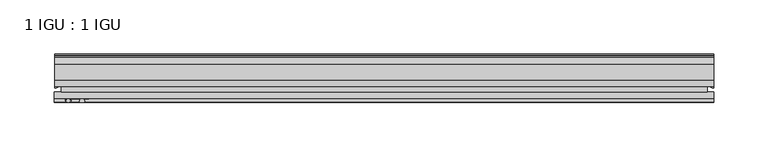
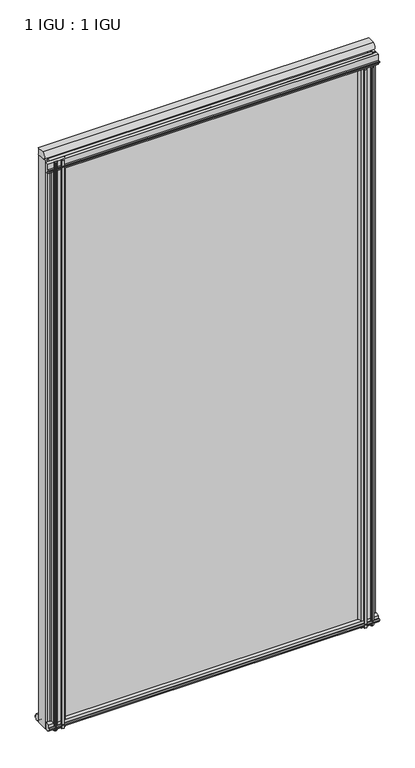
"""IFC4 building model written with IfcOpenShell, lengths in millimetres: plate geometry, 1 IGU : 1 IGU."""

from ifc_helpers import new_model, si_unit, point, frame, frame_2d, origin, place, context, project, spatial, polyline, circle_curve, ellipse_curve, trimmed, segment, composite_curve, outline, extrude, source, transform, mapped, element, save
from ifc_brep_helpers import plane_surface, cylinder_surface, revolved_surface, extruded_surface, advanced_brep


def plate_1_igu_1_igu_985c1507(model_context):
    return source(origin(), model_context, "Body", "SolidModel", [
        extrude(outline(polyline([(-298.4500002, -38.6468937), (298.4500002, -38.6468937), (298.4500002, -44.9460938), (-298.4500002, -44.9460938), (-298.4500002, -38.6468937)])), frame((0.0, 0.0, -12.7), z_axis=(0.0, 0.0, 1.0), x_axis=(1.0, 0.0, 0.0)), (0.0, 0.0, 1.0), 1106.5637371),
        extrude(outline(polyline([(-298.4500002, -19.5460937), (298.4500002, -19.5460937), (298.4500002, -25.8960938), (-298.4500002, -25.8960938), (-298.4500002, -19.5460937)])), frame((0.0, 0.0, -12.7), z_axis=(0.0, 0.0, 1.0), x_axis=(1.0, 0.0, 0.0)), (0.0, 0.0, 1.0), 1106.5637371),
        extrude(outline(composite_curve([segment(trimmed(circle_curve(frame_2d((-9.2245666, 1100.1773164)), 12.1106873), [point((-19.5460937, 1106.5125215))], [point((-19.5460937, 1093.8421112))], True, "CARTESIAN"), True, "CONTINUOUS"), segment(polyline([(-19.5460937, 1093.8421112), (-33.8757421, 1093.8421112)]), True, "CONTINUOUS"), segment(trimmed(circle_curve(frame_2d((-33.8757421, 1100.1773164)), 6.3352052), [point((-33.8757421, 1093.8421112))], [point((-33.8757421, 1106.5125215))], False, "CARTESIAN"), True, "CONTINUOUS"), segment(polyline([(-33.8757421, 1106.5125215), (-19.5460937, 1106.5125215)]), True, "CONTINUOUS")], self_intersect=False)), frame((-304.8000002, 0.0, 0.0), z_axis=(1.0, 0.0, 0.0), x_axis=(0.0, 1.0, 0.0)), (0.0, 0.0, 1.0), 609.6000003),
        advanced_brep(
        [(304.8000002, -21.1709383, -12.4587), (304.8000002, -41.5384061, -12.4587), (297.277663, -32.2460938, -12.4587), (298.4500002, -25.8452938, -12.4587), (298.4500002, -19.5460938, -12.4587), (304.8000002, -21.1709383, 1093.8637371), (298.4500002, -19.5460938, 1093.8637371), (298.4500002, -25.8452938, 1093.8637371), (297.277663, -32.2460938, 1093.8637371), (304.8000002, -41.5384061, 1093.8637371)],
        [
            (0, 1),
            (1, 2, ellipse_curve(frame((304.8000002, -32.2460938, -12.4587), z_axis=(0.0, 0.0, -1.0), x_axis=(0.0, -1.0, 0.0)), 9.2923124, 7.5223371)),
            (2, 3, circle_curve(frame((315.3375765, -32.2460938, -12.4587), z_axis=(0.0, 0.0, -1.0), x_axis=(1.0, 0.0, 0.0)), 18.0599135)),
            (3, 4),
            (4, 0, circle_curve(frame((304.8000002, -7.950406, -12.4587), z_axis=(0.0, 0.0, 1.0), x_axis=(1.0, 0.0, 0.0)), 13.2205323)),
            (5, 6, circle_curve(frame((304.8000002, -7.950406, 1093.8637371), z_axis=(0.0, 0.0, -1.0), x_axis=(1.0, 0.0, 0.0)), 13.2205323)),
            (6, 7),
            (7, 8, circle_curve(frame((315.3375765, -32.2460938, 1093.8637371), z_axis=(0.0, 0.0, 1.0), x_axis=(1.0, 0.0, 0.0)), 18.0599135)),
            (8, 9, ellipse_curve(frame((304.8000002, -32.2460938, 1093.8637371), z_axis=(0.0, 0.0, 1.0), x_axis=(0.0, -1.0, 0.0)), 9.2923124, 7.5223371)),
            (9, 5),
            (1, 9),
            (8, 2),
            (7, 3),
            (6, 4),
            (5, 0),
        ],
        [
            plane_surface(frame((304.8000002, -13.1960938, -12.4587), z_axis=(0.0, 0.0, -1.0), x_axis=(0.0, 1.0, 0.0))),
            plane_surface(frame((304.8000002, -13.1960938, 1093.8637371), z_axis=(0.0, 0.0, 1.0), x_axis=(0.0, 1.0, 0.0))),
            extruded_surface(trimmed(ellipse_curve(frame((304.8000002, -32.2460938, 1093.8637371), z_axis=(0.0, 0.0, -1.0), x_axis=(0.0, -1.0, 0.0)), 9.2923124, 7.5223371), [point((304.8000002, -41.5384061, 1093.8637371))], [point((297.277663, -32.2460938, 1093.8637371))], True, "CARTESIAN"), (0.0, 0.0, -1106.3224371), 1106.3224371),
            cylinder_surface(frame((315.3375765, -32.2460938, -12.4587), z_axis=(0.0, 0.0, -1.0), x_axis=(1.0, 0.0, 0.0)), 18.0599135),
            plane_surface(frame((298.4500002, -25.8452938, -12.4587), z_axis=(-1.0, 0.0, 0.0), x_axis=(0.0, 0.0, 1.0))),
            revolved_surface(polyline([(318.0205325, -7.950406, 1093.8637371), (318.0205325, -7.950406, -12.4587)]), (304.8000002, -7.950406, -12.4587), (0.0, 0.0, 1.0)),
            plane_surface(frame((304.8000002, -21.1709383, -12.4587), z_axis=(1.0, 0.0, 0.0), x_axis=(0.0, 0.0, 1.0))),
        ],
        [
            (0, [[1, 2, 3, 4, 5]]),
            (1, [[6, 7, 8, 9, 10]]),
            (2, [[-2, 11, -9, 12]]),
            (3, [[-3, -12, -8, 13]]),
            (4, [[-4, -13, -7, 14]]),
            (5, [[-5, -14, -6, 15]]),
            (6, [[-1, -15, -10, -11]]),
        ],
    ),
        advanced_brep(
        [(-304.8000002, -21.1706006, -12.7), (-298.4513883, -19.5461438, -12.7), (-298.4513883, -25.8549351, -12.7), (-297.276037, -32.21431, -12.7), (-304.8000002, -41.5384043, -12.7), (-304.8000002, -21.1706006, 1093.8637371), (-304.8000002, -41.5384043, 1093.8637371), (-297.276037, -32.21431, 1093.8637371), (-298.4513883, -25.8549351, 1093.8637371), (-298.4513883, -19.5461438, 1093.8637371)],
        [
            (0, 1, circle_curve(frame((-304.8005696, -7.9505008, -12.7), z_axis=(0.0, 0.0, 1.0), x_axis=(1.0, 0.0, 0.0)), 13.2200998)),
            (1, 2),
            (2, 3, circle_curve(frame((-315.3384013, -32.2643264, -12.7), z_axis=(0.0, 0.0, -1.0), x_axis=(1.0, 0.0, 0.0)), 18.0624336)),
            (3, 4, ellipse_curve(frame((-304.7991672, -32.2460921, -12.7), z_axis=(0.0, 0.0, -1.0), x_axis=(0.0, -1.0, 0.0)), 9.2923123, 7.5231742)),
            (4, 0),
            (5, 6),
            (6, 7, ellipse_curve(frame((-304.7991672, -32.2460921, 1093.8637371), z_axis=(0.0, 0.0, 1.0), x_axis=(0.0, -1.0, 0.0)), 9.2923123, 7.5231742)),
            (7, 8, circle_curve(frame((-315.3384013, -32.2643264, 1093.8637371), z_axis=(0.0, 0.0, 1.0), x_axis=(1.0, 0.0, 0.0)), 18.0624336)),
            (8, 9),
            (9, 5, circle_curve(frame((-304.8005696, -7.9505008, 1093.8637371), z_axis=(0.0, 0.0, -1.0), x_axis=(1.0, 0.0, 0.0)), 13.2200998)),
            (0, 5),
            (9, 1),
            (8, 2),
            (7, 3),
            (6, 4),
        ],
        [
            plane_surface(frame((-304.8000002, -13.1960937, -12.7), z_axis=(0.0, 0.0, -1.0), x_axis=(0.0, 1.0, 0.0))),
            plane_surface(frame((-304.8000002, -13.1960937, 1093.8637371), z_axis=(0.0, 0.0, 1.0), x_axis=(0.0, 1.0, 0.0))),
            revolved_surface(polyline([(-291.5804698, -7.9505008, 1093.8637371), (-291.5804698, -7.9505008, -12.7)]), (-304.8005696, -7.9505008, -12.7), (0.0, 0.0, 1.0)),
            plane_surface(frame((-298.4513883, -19.5461438, -12.7), z_axis=(1.0, 0.0, 0.0), x_axis=(0.0, 0.0, 1.0))),
            cylinder_surface(frame((-315.3384013, -32.2643264, -12.7), z_axis=(0.0, 0.0, -1.0), x_axis=(1.0, 0.0, 0.0)), 18.0624336),
            extruded_surface(trimmed(ellipse_curve(frame((-304.7991672, -32.2460921, 1093.8637371), z_axis=(0.0, 0.0, -1.0), x_axis=(0.0, -1.0, 0.0)), 9.2923123, 7.5231742), [point((-297.276037, -32.21431, 1093.8637371))], [point((-304.8000002, -41.5384043, 1093.8637371))], True, "CARTESIAN"), (0.0, 0.0, -1106.5637371), 1106.5637371),
            plane_surface(frame((-304.8000002, -41.5384043, -12.7), z_axis=(-1.0, 0.0, 0.0), x_axis=(0.0, 0.0, 1.0))),
        ],
        [
            (0, [[1, 2, 3, 4, 5]]),
            (1, [[6, 7, 8, 9, 10]]),
            (2, [[-1, 11, -10, 12]]),
            (3, [[-2, -12, -9, 13]]),
            (4, [[-3, -13, -8, 14]]),
            (5, [[-4, -14, -7, 15]]),
            (6, [[-5, -15, -6, -11]]),
        ],
    ),
        extrude(outline(polyline([(-44.9460937, 1.7177181), (-44.9460937, -9.1036578), (-48.3496937, -11.938), (-51.2960937, -11.938), (-51.2960937, -7.493), (-53.6762907, -7.112), (-53.2163575, -8.5275291), (-54.0175717, -8.5275291), (-54.7250937, -6.35), (-54.0175717, -4.1724709), (-53.2163575, -4.1724709), (-53.6762907, -5.588), (-51.2960937, -5.207), (-51.2960937, 0.0), (-44.9460937, 1.7177181)])), frame((-304.8000002, 0.0, 0.0), z_axis=(1.0, 0.0, 0.0), x_axis=(0.0, 1.0, 0.0)), (0.0, 0.0, 1.0), 609.6000003),
        extrude(outline(polyline([(-13.1960937, -12.4587), (-16.1424937, -12.4587), (-19.5460937, -9.6243578), (-19.5460937, 1.1970181), (-13.1960937, -0.5207), (-13.1960937, -5.7277), (-10.8158968, -6.1087), (-11.27583, -4.6931709), (-10.4746158, -4.6931709), (-9.7670937, -6.8707), (-10.4746158, -9.0482291), (-11.27583, -9.0482291), (-10.8158968, -7.6327), (-13.1960937, -8.0137), (-13.1960937, -12.4587)])), frame((-304.8000002, 0.0, 0.0), z_axis=(1.0, 0.0, 0.0), x_axis=(0.0, 1.0, 0.0)), (0.0, 0.0, 1.0), 609.6000003),
        extrude(outline(composite_curve([segment(polyline([(-44.9380025, 1074.7258348), (-51.2960937, 1074.7258348), (-51.2960937, 1079.5518348), (-54.1955564, 1079.5518348), (-54.8194621, 1080.5291272)]), True, "CONTINUOUS"), segment(trimmed(circle_curve(frame_2d((-53.9630937, 1081.0758348)), 1.016), [point((-54.8194621, 1080.5291272))], [point((-54.8194621, 1081.6225424))], False, "CARTESIAN"), True, "CONTINUOUS"), segment(polyline([(-54.8194621, 1081.6225424), (-54.1955564, 1082.5998348), (-51.2878033, 1082.5998348), (-51.2916866, 1093.7645183), (-44.9380025, 1093.7645183), (-44.9380025, 1074.7258348)]), True, "CONTINUOUS")], self_intersect=False)), frame((-305.242294, 0.0, 0.0), z_axis=(1.0, 0.0, 0.0), x_axis=(0.0, 1.0, 0.0)), (0.0, 0.0, 1.0), 610.0422942),
        extrude(outline(composite_curve([segment(polyline([(295.2750003, -44.9460938), (295.2750003, -51.2960938), (293.6240003, -51.2960938), (293.6240003, -52.9470938), (294.701631, -52.9470938)]), True, "CONTINUOUS"), segment(trimmed(circle_curve(frame_2d((293.6240003, -52.9470938)), 1.0776307), [point((294.701631, -52.9470938))], [point((294.3860003, -53.7090938))], False, "CARTESIAN"), True, "CONTINUOUS"), segment(polyline([(294.3860003, -53.7090938), (292.6467079, -54.8194621)]), True, "CONTINUOUS"), segment(trimmed(circle_curve(frame_2d((292.1000003, -53.9630938)), 1.016), [point((292.6467079, -54.8194621))], [point((291.5532927, -54.8194621))], False, "CARTESIAN"), True, "CONTINUOUS"), segment(polyline([(291.5532927, -54.8194621), (289.8140003, -53.7090938)]), True, "CONTINUOUS"), segment(trimmed(circle_curve(frame_2d((290.5760003, -52.9470938)), 1.0776307), [point((289.8140003, -53.7090938))], [point((289.4983696, -52.9470938))], False, "CARTESIAN"), True, "CONTINUOUS"), segment(polyline([(289.4983696, -52.9470938), (290.5760003, -52.9470938), (290.5760003, -51.2960938), (281.5082003, -51.2960938)]), True, "CONTINUOUS"), segment(trimmed(circle_curve(frame_2d((281.5082003, -51.7532938)), 0.4572), [point((281.5082003, -51.2960938))], [point((281.1693825, -52.0602698))], True, "CARTESIAN"), True, "CONTINUOUS"), segment(trimmed(circle_curve(frame_2d((279.4000003, -53.663367)), 2.3876), [point((281.1693825, -52.0602698))], [point((281.4706433, -54.8520938))], False, "CARTESIAN"), True, "CONTINUOUS"), segment(polyline([(281.4706433, -54.8520938), (277.3293573, -54.8520938)]), True, "CONTINUOUS"), segment(trimmed(circle_curve(frame_2d((279.4000003, -53.663367)), 2.3876), [point((277.3293573, -54.8520938))], [point((277.6306182, -52.0602698))], False, "CARTESIAN"), True, "CONTINUOUS"), segment(trimmed(circle_curve(frame_2d((277.2918003, -51.7532938)), 0.4572), [point((277.6306182, -52.0602698))], [point((277.2918003, -51.2960938))], True, "CARTESIAN"), True, "CONTINUOUS"), segment(polyline([(277.2918003, -51.2960938), (273.0500003, -51.2960938)]), True, "CONTINUOUS"), segment(trimmed(circle_curve(frame_2d((264.0340689, -51.9750196)), 9.0414579), [point((273.0500003, -51.2960938))], [point((269.7210858, -44.9460938))], True, "CARTESIAN"), True, "CONTINUOUS"), segment(polyline([(269.7210858, -44.9460938), (295.2750003, -44.9460938)]), True, "CONTINUOUS")], self_intersect=False)), frame((0.0, 0.0, -12.7), z_axis=(0.0, 0.0, 1.0), x_axis=(1.0, 0.0, 0.0)), (0.0, 0.0, 1.0), 1087.5137371),
        extrude(outline(composite_curve([segment(trimmed(circle_curve(frame_2d((-264.0340689, -51.9750196)), 9.0414579), [point((-269.7210858, -44.9460938))], [point((-273.0500003, -51.2960938))], True, "CARTESIAN"), True, "CONTINUOUS"), segment(polyline([(-273.0500003, -51.2960938), (-277.2918003, -51.2960938)]), True, "CONTINUOUS"), segment(trimmed(circle_curve(frame_2d((-277.2918003, -51.7532938)), 0.4572), [point((-277.2918003, -51.2960938))], [point((-277.6306182, -52.0602698))], True, "CARTESIAN"), True, "CONTINUOUS"), segment(trimmed(circle_curve(frame_2d((-279.4000003, -53.663367)), 2.3876), [point((-277.6306182, -52.0602698))], [point((-277.3293573, -54.8520938))], False, "CARTESIAN"), True, "CONTINUOUS"), segment(polyline([(-277.3293573, -54.8520938), (-281.4706433, -54.8520938)]), True, "CONTINUOUS"), segment(trimmed(circle_curve(frame_2d((-279.4000003, -53.663367)), 2.3876), [point((-281.4706433, -54.8520938))], [point((-281.1693825, -52.0602698))], False, "CARTESIAN"), True, "CONTINUOUS"), segment(trimmed(circle_curve(frame_2d((-281.5082003, -51.7532938)), 0.4572), [point((-281.1693825, -52.0602698))], [point((-281.5082003, -51.2960938))], True, "CARTESIAN"), True, "CONTINUOUS"), segment(polyline([(-281.5082003, -51.2960938), (-290.5760003, -51.2960938), (-290.5760003, -52.9470938), (-289.4983696, -52.9470938)]), True, "CONTINUOUS"), segment(trimmed(circle_curve(frame_2d((-290.5760003, -52.9470938)), 1.0776307), [point((-289.4983696, -52.9470938))], [point((-289.8140003, -53.7090938))], False, "CARTESIAN"), True, "CONTINUOUS"), segment(polyline([(-289.8140003, -53.7090938), (-291.5532927, -54.8194621)]), True, "CONTINUOUS"), segment(trimmed(circle_curve(frame_2d((-292.1000003, -53.9630938)), 1.016), [point((-291.5532927, -54.8194621))], [point((-292.6467079, -54.8194621))], False, "CARTESIAN"), True, "CONTINUOUS"), segment(polyline([(-292.6467079, -54.8194621), (-294.3860003, -53.7090938)]), True, "CONTINUOUS"), segment(trimmed(circle_curve(frame_2d((-293.6240003, -52.9470938)), 1.0776307), [point((-294.3860003, -53.7090938))], [point((-294.701631, -52.9470938))], False, "CARTESIAN"), True, "CONTINUOUS"), segment(polyline([(-294.701631, -52.9470938), (-293.6240003, -52.9470938), (-293.6240003, -51.2960938), (-295.2750003, -51.2960938), (-295.2750003, -44.9460938), (-269.7210858, -44.9460938)]), True, "CONTINUOUS")], self_intersect=False)), frame((0.0, 0.0, -12.7), z_axis=(0.0, 0.0, 1.0), x_axis=(1.0, 0.0, 0.0)), (0.0, 0.0, 1.0), 1106.5637373),
    ])


if __name__ == "__main__":
    model = new_model("IFC4")
    model_context = context("Model", 3, world=origin())
    ifc_project = project(units=[si_unit("LENGTHUNIT", "METRE", prefix="MILLI")], contexts=[model_context])
    site = spatial("IfcSite", under=ifc_project)
    building = spatial("IfcBuilding", under=site)
    placement = place(None, origin())
    plate_1_igu_1_igu_shape = plate_1_igu_1_igu_985c1507(model_context)
    element("IfcPlate", 1, ObjectType="1 IGU : 1 IGU", at=placement, inside=building, context=model_context, shape_type="MappedRepresentation", body=[
        mapped(plate_1_igu_1_igu_shape, transform((0.0, 0.0, 0.0), x_axis=(1.0, 0.0, 0.0), y_axis=(0.0, 1.0, 0.0), z_axis=(0.0, 0.0, 1.0))),
    ])
    save(model, "model.ifc")
